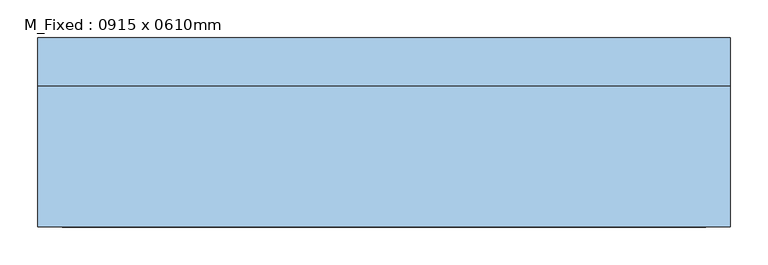
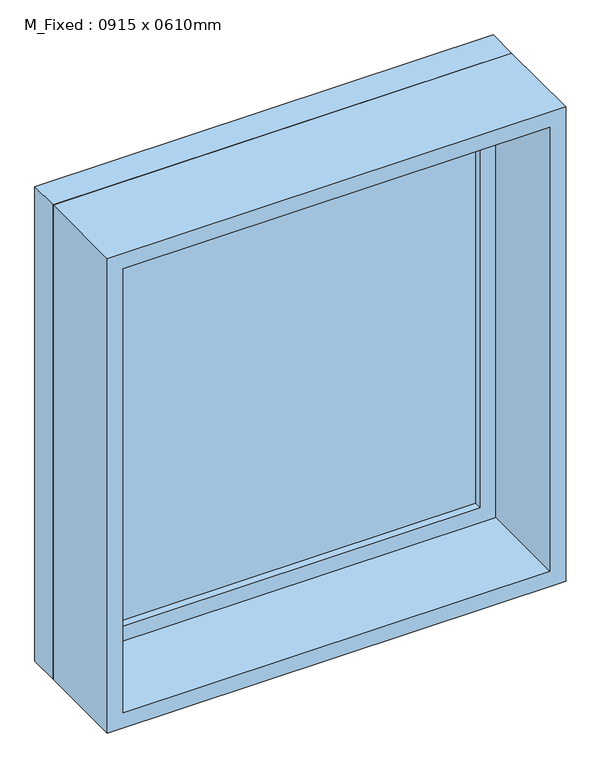
"""IFC4 building model written with IfcOpenShell, lengths in millimetres: window geometry, M_Fixed : 0915 x 0610mm."""

import ifcopenshell
import ifcopenshell.guid

model = None  # the IFC model being written
_history = None  # IfcOwnerHistory: only IFC2X3 demands one
_inside = {}  # id of a spatial element -> (the spatial element, [elements in it])
_under = {}  # id of a project, library or spatial element -> (it, [spatial elements below it])
_declared = {}  # id of a project -> (the project, [libraries it declares])
_typed = {}  # id of a type object -> (the type object, [elements of that type])
_made_of = {}  # id of a material, layer set ... -> (it, [elements and type objects made of it])


def new_model(schema):
    """Start an empty IFC model of exactly this schema.

    Asked for "IFC4X3", IfcOpenShell would pick the latest addendum, in which some entities
    have other attributes; the version numbers below select the first issue.
    IFC2X3 requires an IfcOwnerHistory on every rooted entity: one is made here for all.
    """
    global model, _history
    if schema == "IFC4X3":
        model = ifcopenshell.file(schema_version=(4, 3, 0, 0))
    else:
        model = ifcopenshell.file(schema=schema)
    _inside.clear()
    _under.clear()
    _declared.clear()
    _typed.clear()
    _made_of.clear()
    _history = None
    if model.schema == "IFC2X3":
        org = make("IfcOrganization", Name="unknown")
        user = make(
            "IfcPersonAndOrganization",
            ThePerson=make("IfcPerson", FamilyName="unknown"),
            TheOrganization=org,
        )
        app = make(
            "IfcApplication",
            ApplicationDeveloper=org,
            Version="unknown",
            ApplicationFullName="unknown",
            ApplicationIdentifier="unknown",
        )
        _history = make(
            "IfcOwnerHistory",
            OwningUser=user,
            OwningApplication=app,
            ChangeAction="ADDED",
            CreationDate=0,
        )
    return model


def make(cls, **values):
    """One entity of the class cls with the attributes given. An attribute that is None is left unset."""
    return model.create_entity(
        cls, **{name: value for name, value in values.items() if value is not None}
    )


def rooted(cls, **values):
    """An entity with a GlobalId (a new one), such as an element, a storey or a relation."""
    return make(cls, GlobalId=ifcopenshell.guid.new(), OwnerHistory=_history, **values)


def si_unit(unit_type, name, prefix=None):
    """IfcSIUnit, for example si_unit("LENGTHUNIT", "METRE", prefix="MILLI")."""
    return make("IfcSIUnit", UnitType=unit_type, Prefix=prefix, Name=name)


def assignment(units):
    """IfcUnitAssignment: the units of a project."""
    return None if units is None else make("IfcUnitAssignment", Units=units)


def point(xyz):
    """IfcCartesianPoint."""
    return None if xyz is None else make("IfcCartesianPoint", Coordinates=xyz)


def direction(xyz):
    """IfcDirection."""
    return None if xyz is None else make("IfcDirection", DirectionRatios=xyz)


def frame(location, z_axis=None, x_axis=None):
    """IfcAxis2Placement3D, a coordinate frame: its origin and axes. An axis left out is left unset."""
    return make(
        "IfcAxis2Placement3D",
        Location=point(location),
        Axis=direction(z_axis),
        RefDirection=direction(x_axis),
    )


def origin():
    """The frame at (0, 0, 0) with its axes left unset."""
    return frame((0.0, 0.0, 0.0))


def place(relative_to, where):
    """IfcLocalPlacement: puts the frame where relative to a parent placement (None: the world)."""
    return make(
        "IfcLocalPlacement", PlacementRelTo=relative_to, RelativePlacement=where
    )


def context(
    kind, dimensions, precision=None, world=None, true_north=None, identifier=None
):
    """IfcGeometricRepresentationContext, for example the 3D "Model" context."""
    return make(
        "IfcGeometricRepresentationContext",
        ContextIdentifier=identifier,
        ContextType=kind,
        CoordinateSpaceDimension=dimensions,
        Precision=precision,
        WorldCoordinateSystem=world,
        TrueNorth=true_north,
    )


def project(units=None, contexts=None):
    """IfcProject with its units and contexts."""
    return rooted(
        "IfcProject",
        Name="project",
        RepresentationContexts=contexts,
        UnitsInContext=assignment(units),
    )


def spatial(cls, under=None, at=None, **own):
    """A site, building, storey or space (cls), placed at a placement, below another one or the project."""
    s = rooted(cls, ObjectPlacement=at, **own)
    if under is not None:
        _under.setdefault(under.id(), (under, []))[1].append(s)
    return s


def polyline(points):
    """IfcPolyline through the points."""
    return make("IfcPolyline", Points=[point(p) for p in points])


def outline(outer, holes=None, kind="AREA"):
    """IfcArbitraryClosedProfileDef: a profile drawn as a closed curve; with holes, ...WithVoids."""
    if holes is None:
        return make("IfcArbitraryClosedProfileDef", ProfileType=kind, OuterCurve=outer)
    return make(
        "IfcArbitraryProfileDefWithVoids",
        ProfileType=kind,
        OuterCurve=outer,
        InnerCurves=holes,
    )


def extrude(swept, where, along, depth):
    """IfcExtrudedAreaSolid: the profile swept, set in the frame where, extruded along a direction by depth."""
    return make(
        "IfcExtrudedAreaSolid",
        SweptArea=swept,
        Position=where,
        ExtrudedDirection=direction(along),
        Depth=depth,
    )


def shape(context_of_items, identifier, shape_type, items):
    """IfcShapeRepresentation: the items that make up one representation, for example the "Body"."""
    return make(
        "IfcShapeRepresentation",
        ContextOfItems=context_of_items,
        RepresentationIdentifier=identifier,
        RepresentationType=shape_type,
        Items=items,
    )


def source(mapping_origin, context_of_items, identifier, shape_type, items):
    """IfcRepresentationMap: a shape defined once, which mapped items show again and again."""
    return make(
        "IfcRepresentationMap",
        MappingOrigin=mapping_origin,
        MappedRepresentation=shape(context_of_items, identifier, shape_type, items),
    )


def transform(
    local_origin,
    x_axis=None,
    y_axis=None,
    z_axis=None,
    scale=None,
    scale2=None,
    scale3=None,
    uniform=True,
):
    """IfcCartesianTransformationOperator3D, or its non-uniform kind. x_axis, y_axis, z_axis: its Axis1, 2, 3."""
    if uniform:
        return make(
            "IfcCartesianTransformationOperator3D",
            Axis1=direction(x_axis),
            Axis2=direction(y_axis),
            LocalOrigin=point(local_origin),
            Scale=scale,
            Axis3=direction(z_axis),
        )
    return make(
        "IfcCartesianTransformationOperator3DnonUniform",
        Axis1=direction(x_axis),
        Axis2=direction(y_axis),
        LocalOrigin=point(local_origin),
        Scale=scale,
        Axis3=direction(z_axis),
        Scale2=scale2,
        Scale3=scale3,
    )


def mapped(mapping_source, mapping_target):
    """IfcMappedItem: shows the shape of a source again, moved by a transform."""
    return make(
        "IfcMappedItem", MappingSource=mapping_source, MappingTarget=mapping_target
    )


def made_of(thing, what):
    """Note that an element or type object is made of a material, layer set ...; save() writes the relation."""
    if what is not None:
        _made_of.setdefault(what.id(), (what, []))[1].append(thing)
    return thing


def element(
    cls,
    number,
    at=None,
    inside=None,
    cuts=None,
    type_object=None,
    material=None,
    context=None,
    identifier="Body",
    shape_type=None,
    held_by="IfcProductDefinitionShape",
    body=None,
    shapes=None,
    **own,
):
    """One element of the class cls, such as IfcWall. Its Tag is "e" and its number.

    at: its placement. inside: the storey or other place that contains it. cuts: it is an
    opening in that element (IfcRelVoidsElement). A single representation is given by context,
    identifier, shape_type and body (its items); several are given by shapes. held_by: the class
    of the entity that holds the representations. save() writes the other relations.
    """
    e = rooted(cls, Tag="e%d" % number, ObjectPlacement=at, **own)
    if body is not None:
        shapes = [shape(context, identifier, shape_type, body)]
    if shapes is not None:
        e.Representation = make(held_by, Representations=shapes)
    if inside is not None:
        _inside.setdefault(inside.id(), (inside, []))[1].append(e)
    if cuts is not None:
        rooted(
            "IfcRelVoidsElement", RelatingBuildingElement=cuts, RelatedOpeningElement=e
        )
    if type_object is not None:
        _typed.setdefault(type_object.id(), (type_object, []))[1].append(e)
    return made_of(e, material)


def aggregate(whole, parts):
    """IfcRelAggregates: a whole, such as a stair, and the parts it consists of."""
    return rooted("IfcRelAggregates", RelatingObject=whole, RelatedObjects=parts)


def save(model, path):
    """Write the relations noted so far, then the file.

    IfcRelAggregates (storeys below a building ...), IfcRelContainedInSpatialStructure (elements
    in a storey), IfcRelDefinesByType, IfcRelAssociatesMaterial and IfcRelDeclares: one each for
    every whole, place, type object, material and project.
    """
    for whole, parts in _under.values():
        aggregate(whole, parts)
    for where, things in _inside.values():
        rooted(
            "IfcRelContainedInSpatialStructure",
            RelatedElements=things,
            RelatingStructure=where,
        )
    for kind, things in _typed.values():
        rooted("IfcRelDefinesByType", RelatedObjects=things, RelatingType=kind)
    for what, things in _made_of.values():
        rooted("IfcRelAssociatesMaterial", RelatedObjects=things, RelatingMaterial=what)
    for by, libraries in _declared.values():
        rooted("IfcRelDeclares", RelatingContext=by, RelatedDefinitions=libraries)
    model.write(path)


def m_fixed_0915_x_0610mm_6dda2ab0(model_context):
    return source(origin(), model_context, "Body", "SweptSolid", [
        extrude(outline(polyline([(-394.5, 103.0), (394.5, 103.0), (394.5, 91.0), (-394.5, 91.0), (-394.5, 103.0)])), frame((0.0, 0.0, 978.0), z_axis=(0.0, 0.0, 1.0), x_axis=(1.0, 0.0, 0.0)), (0.0, 0.0, 1.0), 874.0),
        extrude(outline(polyline([(1896.0, -438.5), (934.0, -438.5), (934.0, 438.5), (1896.0, 438.5), (1896.0, -438.5)]), holes=[polyline([(1852.0, -394.5), (1852.0, 394.5), (978.0, 394.5), (978.0, -394.5), (1852.0, -394.5)])]), frame((0.0, 75.0, 0.0), z_axis=(0.0, 1.0, 0.0), x_axis=(0.0, 0.0, 1.0)), (0.0, 0.0, 1.0), 44.0),
        extrude(outline(polyline([(1915.0, -457.5), (915.0, -457.5), (915.0, 457.5), (1915.0, 457.5), (1915.0, -457.5)]), holes=[polyline([(1896.0, -438.5), (1896.0, 438.5), (934.0, 438.5), (934.0, -438.5), (1896.0, -438.5)])]), frame((0.0, 75.0, 0.0), z_axis=(0.0, 1.0, 0.0), x_axis=(0.0, 0.0, 1.0)), (0.0, 0.0, 1.0), 63.0),
        extrude(outline(polyline([(1915.0, -457.5), (915.0, -457.5), (915.0, 457.5), (1915.0, 457.5), (1915.0, -457.5)]), holes=[polyline([(1883.0, -425.5), (1883.0, 425.5), (947.0, 425.5), (947.0, -425.5), (1883.0, -425.5)])]), frame((0.0, -112.0, 0.0), z_axis=(0.0, 1.0, 0.0), x_axis=(0.0, 0.0, 1.0)), (0.0, 0.0, 1.0), 187.0),
    ])


if __name__ == "__main__":
    model = new_model("IFC4")
    model_context = context("Model", 3, world=origin())
    ifc_project = project(units=[si_unit("LENGTHUNIT", "METRE", prefix="MILLI")], contexts=[model_context])
    site = spatial("IfcSite", under=ifc_project)
    building = spatial("IfcBuilding", under=site)
    placement = place(None, origin())
    m_fixed_0915_x_0610mm_shape = m_fixed_0915_x_0610mm_6dda2ab0(model_context)
    element("IfcWindow", 1, ObjectType="M_Fixed : 0915 x 0610mm", at=placement, inside=building, context=model_context, shape_type="MappedRepresentation", body=[
        mapped(m_fixed_0915_x_0610mm_shape, transform((0.0, 0.0, 0.0), x_axis=(1.0, 0.0, 0.0), y_axis=(0.0, 1.0, 0.0), z_axis=(0.0, 0.0, 1.0))),
    ])
    save(model, "model.ifc")
